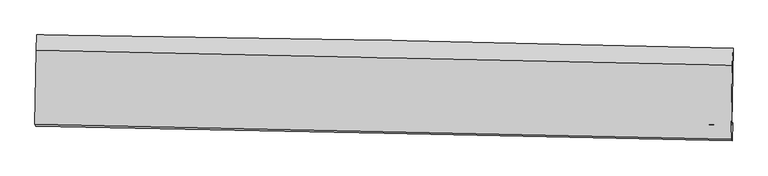
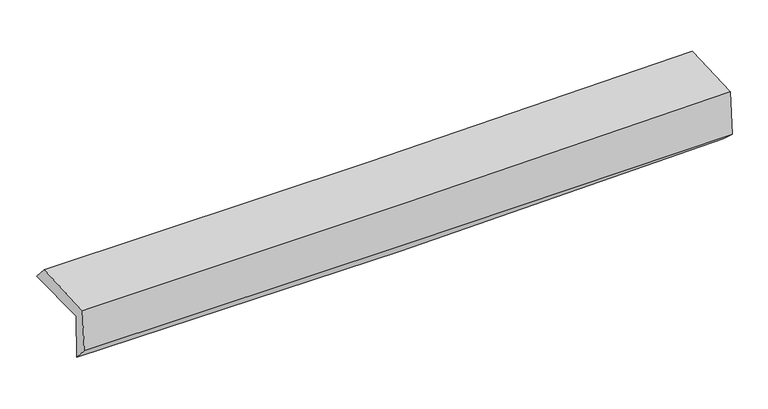
"""IFC4 building model written with IfcOpenShell, lengths in millimetres: proxy geometry."""

import ifcopenshell
import ifcopenshell.guid

model = None  # the IFC model being written
_history = None  # IfcOwnerHistory: only IFC2X3 demands one
_inside = {}  # id of a spatial element -> (the spatial element, [elements in it])
_under = {}  # id of a project, library or spatial element -> (it, [spatial elements below it])
_declared = {}  # id of a project -> (the project, [libraries it declares])
_typed = {}  # id of a type object -> (the type object, [elements of that type])
_made_of = {}  # id of a material, layer set ... -> (it, [elements and type objects made of it])


def new_model(schema):
    """Start an empty IFC model of exactly this schema.

    Asked for "IFC4X3", IfcOpenShell would pick the latest addendum, in which some entities
    have other attributes; the version numbers below select the first issue.
    IFC2X3 requires an IfcOwnerHistory on every rooted entity: one is made here for all.
    """
    global model, _history
    if schema == "IFC4X3":
        model = ifcopenshell.file(schema_version=(4, 3, 0, 0))
    else:
        model = ifcopenshell.file(schema=schema)
    _inside.clear()
    _under.clear()
    _declared.clear()
    _typed.clear()
    _made_of.clear()
    _history = None
    if model.schema == "IFC2X3":
        org = make("IfcOrganization", Name="unknown")
        user = make(
            "IfcPersonAndOrganization",
            ThePerson=make("IfcPerson", FamilyName="unknown"),
            TheOrganization=org,
        )
        app = make(
            "IfcApplication",
            ApplicationDeveloper=org,
            Version="unknown",
            ApplicationFullName="unknown",
            ApplicationIdentifier="unknown",
        )
        _history = make(
            "IfcOwnerHistory",
            OwningUser=user,
            OwningApplication=app,
            ChangeAction="ADDED",
            CreationDate=0,
        )
    return model


def make(cls, **values):
    """One entity of the class cls with the attributes given. An attribute that is None is left unset."""
    return model.create_entity(
        cls, **{name: value for name, value in values.items() if value is not None}
    )


def rooted(cls, **values):
    """An entity with a GlobalId (a new one), such as an element, a storey or a relation."""
    return make(cls, GlobalId=ifcopenshell.guid.new(), OwnerHistory=_history, **values)


def si_unit(unit_type, name, prefix=None):
    """IfcSIUnit, for example si_unit("LENGTHUNIT", "METRE", prefix="MILLI")."""
    return make("IfcSIUnit", UnitType=unit_type, Prefix=prefix, Name=name)


def assignment(units):
    """IfcUnitAssignment: the units of a project."""
    return None if units is None else make("IfcUnitAssignment", Units=units)


def point(xyz):
    """IfcCartesianPoint."""
    return None if xyz is None else make("IfcCartesianPoint", Coordinates=xyz)


def direction(xyz):
    """IfcDirection."""
    return None if xyz is None else make("IfcDirection", DirectionRatios=xyz)


def frame(location, z_axis=None, x_axis=None):
    """IfcAxis2Placement3D, a coordinate frame: its origin and axes. An axis left out is left unset."""
    return make(
        "IfcAxis2Placement3D",
        Location=point(location),
        Axis=direction(z_axis),
        RefDirection=direction(x_axis),
    )


def origin():
    """The frame at (0, 0, 0) with its axes left unset."""
    return frame((0.0, 0.0, 0.0))


def place(relative_to, where):
    """IfcLocalPlacement: puts the frame where relative to a parent placement (None: the world)."""
    return make(
        "IfcLocalPlacement", PlacementRelTo=relative_to, RelativePlacement=where
    )


def context(
    kind, dimensions, precision=None, world=None, true_north=None, identifier=None
):
    """IfcGeometricRepresentationContext, for example the 3D "Model" context."""
    return make(
        "IfcGeometricRepresentationContext",
        ContextIdentifier=identifier,
        ContextType=kind,
        CoordinateSpaceDimension=dimensions,
        Precision=precision,
        WorldCoordinateSystem=world,
        TrueNorth=true_north,
    )


def project(units=None, contexts=None):
    """IfcProject with its units and contexts."""
    return rooted(
        "IfcProject",
        Name="project",
        RepresentationContexts=contexts,
        UnitsInContext=assignment(units),
    )


def spatial(cls, under=None, at=None, **own):
    """A site, building, storey or space (cls), placed at a placement, below another one or the project."""
    s = rooted(cls, ObjectPlacement=at, **own)
    if under is not None:
        _under.setdefault(under.id(), (under, []))[1].append(s)
    return s


def shape(context_of_items, identifier, shape_type, items):
    """IfcShapeRepresentation: the items that make up one representation, for example the "Body"."""
    return make(
        "IfcShapeRepresentation",
        ContextOfItems=context_of_items,
        RepresentationIdentifier=identifier,
        RepresentationType=shape_type,
        Items=items,
    )


def source(mapping_origin, context_of_items, identifier, shape_type, items):
    """IfcRepresentationMap: a shape defined once, which mapped items show again and again."""
    return make(
        "IfcRepresentationMap",
        MappingOrigin=mapping_origin,
        MappedRepresentation=shape(context_of_items, identifier, shape_type, items),
    )


def transform(
    local_origin,
    x_axis=None,
    y_axis=None,
    z_axis=None,
    scale=None,
    scale2=None,
    scale3=None,
    uniform=True,
):
    """IfcCartesianTransformationOperator3D, or its non-uniform kind. x_axis, y_axis, z_axis: its Axis1, 2, 3."""
    if uniform:
        return make(
            "IfcCartesianTransformationOperator3D",
            Axis1=direction(x_axis),
            Axis2=direction(y_axis),
            LocalOrigin=point(local_origin),
            Scale=scale,
            Axis3=direction(z_axis),
        )
    return make(
        "IfcCartesianTransformationOperator3DnonUniform",
        Axis1=direction(x_axis),
        Axis2=direction(y_axis),
        LocalOrigin=point(local_origin),
        Scale=scale,
        Axis3=direction(z_axis),
        Scale2=scale2,
        Scale3=scale3,
    )


def mapped(mapping_source, mapping_target):
    """IfcMappedItem: shows the shape of a source again, moved by a transform."""
    return make(
        "IfcMappedItem", MappingSource=mapping_source, MappingTarget=mapping_target
    )


def made_of(thing, what):
    """Note that an element or type object is made of a material, layer set ...; save() writes the relation."""
    if what is not None:
        _made_of.setdefault(what.id(), (what, []))[1].append(thing)
    return thing


def element(
    cls,
    number,
    at=None,
    inside=None,
    cuts=None,
    type_object=None,
    material=None,
    context=None,
    identifier="Body",
    shape_type=None,
    held_by="IfcProductDefinitionShape",
    body=None,
    shapes=None,
    **own,
):
    """One element of the class cls, such as IfcWall. Its Tag is "e" and its number.

    at: its placement. inside: the storey or other place that contains it. cuts: it is an
    opening in that element (IfcRelVoidsElement). A single representation is given by context,
    identifier, shape_type and body (its items); several are given by shapes. held_by: the class
    of the entity that holds the representations. save() writes the other relations.
    """
    e = rooted(cls, Tag="e%d" % number, ObjectPlacement=at, **own)
    if body is not None:
        shapes = [shape(context, identifier, shape_type, body)]
    if shapes is not None:
        e.Representation = make(held_by, Representations=shapes)
    if inside is not None:
        _inside.setdefault(inside.id(), (inside, []))[1].append(e)
    if cuts is not None:
        rooted(
            "IfcRelVoidsElement", RelatingBuildingElement=cuts, RelatedOpeningElement=e
        )
    if type_object is not None:
        _typed.setdefault(type_object.id(), (type_object, []))[1].append(e)
    return made_of(e, material)


def aggregate(whole, parts):
    """IfcRelAggregates: a whole, such as a stair, and the parts it consists of."""
    return rooted("IfcRelAggregates", RelatingObject=whole, RelatedObjects=parts)


def save(model, path):
    """Write the relations noted so far, then the file.

    IfcRelAggregates (storeys below a building ...), IfcRelContainedInSpatialStructure (elements
    in a storey), IfcRelDefinesByType, IfcRelAssociatesMaterial and IfcRelDeclares: one each for
    every whole, place, type object, material and project.
    """
    for whole, parts in _under.values():
        aggregate(whole, parts)
    for where, things in _inside.values():
        rooted(
            "IfcRelContainedInSpatialStructure",
            RelatedElements=things,
            RelatingStructure=where,
        )
    for kind, things in _typed.values():
        rooted("IfcRelDefinesByType", RelatedObjects=things, RelatingType=kind)
    for what, things in _made_of.values():
        rooted("IfcRelAssociatesMaterial", RelatedObjects=things, RelatingMaterial=what)
    for by, libraries in _declared.values():
        rooted("IfcRelDeclares", RelatingContext=by, RelatedDefinitions=libraries)
    model.write(path)


def plane_surface(at):
    """IfcPlane: the flat surface through the origin of the frame at, square to its z axis."""
    return make("IfcPlane", Position=at)


def spline_curve(degree, points, multiplicities, knots, weights=None):
    """IfcBSplineCurveWithKnots; with weights, IfcRationalBSplineCurveWithKnots."""
    own = dict(
        Degree=degree,
        ControlPointsList=[point(p) for p in points],
        CurveForm="UNSPECIFIED",
        ClosedCurve=False,
        SelfIntersect=False,
        KnotMultiplicities=multiplicities,
        Knots=knots,
        KnotSpec="UNSPECIFIED",
    )
    if weights is None:
        return make("IfcBSplineCurveWithKnots", **own)
    return make("IfcRationalBSplineCurveWithKnots", WeightsData=weights, **own)


def spline_surface(u_degree, v_degree, points, u_multiplicities, v_multiplicities, u_knots, v_knots, weights=None):
    """IfcBSplineSurfaceWithKnots; with weights, IfcRationalBSplineSurfaceWithKnots. points: one row for each step in u."""
    own = dict(
        UDegree=u_degree,
        VDegree=v_degree,
        ControlPointsList=[[point(p) for p in row] for row in points],
        SurfaceForm="UNSPECIFIED",
        UClosed=False,
        VClosed=False,
        SelfIntersect=False,
        UMultiplicities=u_multiplicities,
        VMultiplicities=v_multiplicities,
        UKnots=u_knots,
        VKnots=v_knots,
        KnotSpec="UNSPECIFIED",
    )
    if weights is None:
        return make("IfcBSplineSurfaceWithKnots", **own)
    return make("IfcRationalBSplineSurfaceWithKnots", WeightsData=weights, **own)


def advanced_brep(points, edges, surfaces, faces):
    """IfcAdvancedBrep: a solid bounded by faces that lie on surfaces and meet in shared edges.

    An edge is (start, end): straight between two places in points (the first is 0);
    or (start, end, curve); or (start, end, curve, False) where it runs against its curve.
    A face is (place in surfaces, loops), or (place, loops, False) where it looks against
    its surface's normal. A loop lists edges by number (the first is 1), with a minus sign
    where the edge is run from its end to its start. The first loop is the outer one.
    """
    corners = [point(p) for p in points]
    vertices = [make("IfcVertexPoint", VertexGeometry=c) for c in corners]
    made = []
    for start, end, *more in edges:
        made.append(
            make(
                "IfcEdgeCurve",
                EdgeStart=vertices[start],
                EdgeEnd=vertices[end],
                EdgeGeometry=more[0] if more else make("IfcPolyline", Points=[corners[start], corners[end]]),
                SameSense=more[1] if len(more) > 1 else True,
            )
        )
    hull = []
    for where, loops, *sense in faces:
        bounds = []
        for j, loop in enumerate(loops):
            ring = [make("IfcOrientedEdge", EdgeElement=made[abs(k) - 1], Orientation=k > 0) for k in loop]
            bounds.append(
                make(
                    "IfcFaceOuterBound" if j == 0 else "IfcFaceBound",
                    Bound=make("IfcEdgeLoop", EdgeList=ring),
                    Orientation=True,
                )
            )
        hull.append(make("IfcAdvancedFace", Bounds=bounds, FaceSurface=surfaces[where], SameSense=sense[0] if sense else True))
    return make("IfcAdvancedBrep", Outer=make("IfcClosedShell", CfsFaces=hull))


def generic_models_ea0ddb50(model_context):
    return source(origin(), model_context, "Body", "AdvancedBrep", [
        advanced_brep(
        [(-3020.5613623, -1753.1334746, 1975.861269), (-3008.8827054, -1090.1220409, 1968.64021), (3008.5762161, -1203.2618766, 2102.2879482), (2996.8975591, -1866.2733103, 2109.5090073), (-3011.1520722, -1744.022112, 1560.6628853), (3006.5354607, -1848.5269776, 1690.7826912), (-3016.7950357, -1878.2553437, 1709.2687583), (3000.6309747, -2005.8940206, 1833.0892056), (-3025.3112326, -1864.3285603, 2102.3461255), (2991.6810836, -1991.2580046, 2246.184351), (-3014.4949024, -1223.3391248, 2116.6575038), (3002.4864268, -1350.9196774, 2260.481192)],
        [
            (0, 1),
            (1, 2, spline_curve(3, [(-3008.8827054, -1090.1220409, 1968.64021), (-2005.305406428, -1102.833061589, 1965.859116753), (-1002.063071218, -1118.616860861, 1975.605823885), (1003.756572348, -1156.330109505, 2020.154947587), (2006.333878072, -1178.25958865, 2054.95748665), (3008.5762161, -1203.2618766, 2102.2879482)], [4, 2, 4], [0.0, 9.87621204214991, 19.752472356446056])),
            (2, 3),
            (3, 0, spline_curve(3, [(2996.8975591, -1866.2733103, 2109.5090073), (1994.537750528, -1847.939954947, 2062.25117906), (991.901710018, -1829.344933836, 2027.484956487), (-1013.917932889, -1791.63165293, 1982.935832785), (-2017.10153297, -1772.51339529, 1973.152809038), (-3020.5613623, -1753.1334746, 1975.861269)], [4, 2, 4], [0.0, 9.876260314296145, 19.752472356446056])),
            (4, 0),
            (3, 5),
            (5, 4, spline_curve(3, [(3006.5354607, -1848.5269776, 1690.7826912), (2003.945001338, -1834.623771895, 1650.422717371), (1001.174584748, -1818.963404609, 1619.399409825), (-1004.721261233, -1784.128432522, 1576.026232373), (-2007.846688986, -1764.953844416, 1563.676271381), (-3011.1520722, -1744.022112, 1560.6628853)], [4, 2, 4], [0.0, 9.876036049435749, 19.752023827821404])),
            (6, 4),
            (5, 7),
            (7, 6, spline_curve(3, [(3000.6309747, -2005.8940206, 1833.0892056), (1997.854629256, -1983.820011146, 1807.442639238), (995.013063428, -1962.146425047, 1784.300966184), (-1010.795607326, -1919.60020333, 1743.027508282), (-2013.762711685, -1898.727563827, 1724.895698686), (-3016.7950357, -1878.2553437, 1709.2687583)], [4, 2, 4], [0.0, 9.875550897168619, 19.75105352565842])),
            (8, 6),
            (7, 9),
            (9, 8, spline_curve(3, [(2991.6810836, -1991.2580046, 2246.184351), (1989.121555063, -1969.538562367, 2210.530283692), (986.42453908, -1948.101362197, 2180.716715977), (-1019.239567931, -1905.791550402, 2132.770698196), (-2022.206656787, -1884.918935584, 2114.638190343), (-3025.3112326, -1864.3285603, 2102.3461255)], [4, 2, 4], [0.0, 9.875524231757662, 19.75100019496684])),
            (10, 8),
            (9, 11),
            (11, 10, spline_curve(3, [(3002.4864268, -1350.9196774, 2260.481192), (1999.930927059, -1328.961495183, 2224.832454846), (997.236840494, -1307.350666536, 2195.022764051), (-1008.423603754, -1264.823818794, 2147.08159171), (-2011.389960565, -1243.907797012, 2128.950053345), (-3014.4949024, -1223.3391248, 2116.6575038)], [4, 2, 4], [0.0, 9.875633570380321, 19.751218871677743])),
            (1, 10),
            (11, 2),
        ],
        [
            spline_surface(3, 3, [[(-3020.5613623, -1753.1334746, 1975.861269), (-2017.101533014, -1772.513395298, 1973.152808883), (-1013.917933026, -1791.631652825, 1982.935832654), (991.901710155, -1829.344933941, 2027.484956618), (1994.537750605, -1847.939954997, 2062.251178999), (2996.8975591, -1866.2733103, 2109.5090073)], [(-3016.668476663, -1532.129663382, 1973.454249309), (-2013.169490789, -1549.286617378, 1970.721578186), (-1009.96631246, -1567.293388838, 1980.492496424), (995.853330913, -1605.006659089, 2025.041620269), (1998.469793021, -1624.713166212, 2059.819948184), (3000.790444737, -1645.269499082, 2107.101987609)], [(-3012.775591037, -1311.125852118, 1971.047229691), (-2009.237448575, -1326.059839412, 1968.290347562), (-1006.01469188, -1342.955124909, 1978.049160161), (999.804951685, -1380.668384295, 2022.598283889), (2002.401835526, -1401.486377381, 2057.388717342), (3004.683330463, -1424.265687818, 2104.694967891)], [(-3008.8827054, -1090.1220409, 1968.64021), (-2005.305406351, -1102.833061492, 1965.859116865), (-1002.063071313, -1118.616860922, 1975.605823931), (1003.756572443, -1156.330109443, 2020.15494754), (2006.333877942, -1178.259588596, 2054.957486526), (3008.5762161, -1203.2618766, 2102.2879482)]], [4, 4], [4, 2, 4], [0.0, 2.208527291906873], [0.0, 9.87621204214991, 19.752472356446056]),
            spline_surface(3, 3, [[(-3011.1520722, -1744.022112, 1560.6628853), (-2007.846688912, -1764.953844378, 1563.676271455), (-1004.721261267, -1784.128432383, 1576.026232425), (1001.174584783, -1818.963404748, 1619.399409773), (2003.945001456, -1834.623771967, 1650.422717468), (3006.5354607, -1848.5269776, 1690.7826912)], [(-3014.288502239, -1747.059232853, 1699.06234654), (-2010.931636952, -1767.473694671, 1700.168450604), (-1007.786818531, -1786.629505873, 1711.662765841), (998.083626563, -1822.423914488, 1755.427925395), (2000.809251191, -1839.062499635, 1787.698871308), (3003.322826852, -1854.442421824, 1830.358129897)], [(-3017.424932261, -1750.096353747, 1837.46180776), (-2014.016584974, -1769.993545005, 1836.660629734), (-1010.852375763, -1789.130579335, 1847.299299237), (994.992668375, -1825.884424201, 1891.456440996), (1997.67350087, -1843.50122733, 1924.975025159), (3000.110192948, -1860.357866076, 1969.933568603)], [(-3020.5613623, -1753.1334746, 1975.861269), (-2017.101533014, -1772.513395298, 1973.152808883), (-1013.917933026, -1791.631652825, 1982.935832654), (991.901710155, -1829.344933941, 2027.484956618), (1994.537750605, -1847.939954997, 2062.251178999), (2996.8975591, -1866.2733103, 2109.5090073)]], [4, 4], [4, 2, 4], [0.0, 1.3375993587947688], [0.0, 9.875987778385655, 19.752023827821404]),
            spline_surface(3, 3, [[(-3016.7950357, -1878.2553437, 1709.2687583), (-2013.762711606, -1898.727563818, 1724.895698752), (-1010.795607324, -1919.600203334, 1743.027508259), (995.013063426, -1962.146425042, 1784.300966207), (1997.85462932, -1983.820011182, 1807.442639132), (3000.6309747, -2005.8940206, 1833.0892056)], [(-3014.914047868, -1833.510933123, 1659.733467304), (-2011.790704043, -1854.136323995, 1671.155889657), (-1008.770825304, -1874.442946346, 1687.360416303), (997.066903879, -1914.418751606, 1729.333780718), (1999.884753375, -1934.087931433, 1755.102665231), (3002.59913671, -1953.438339589, 1785.653700787)], [(-3013.033060032, -1788.766522577, 1610.198176296), (-2009.818696475, -1809.545084202, 1617.41608055), (-1006.746043286, -1829.285689372, 1631.693324381), (999.12074433, -1866.691078184, 1674.366595262), (2001.9148774, -1884.355851716, 1702.762691369), (3004.56729869, -1900.982658611, 1738.218196013)], [(-3011.1520722, -1744.022112, 1560.6628853), (-2007.846688912, -1764.953844378, 1563.676271455), (-1004.721261267, -1784.128432383, 1576.026232425), (1001.174584783, -1818.963404748, 1619.399409773), (2003.945001456, -1834.623771967, 1650.422717468), (3006.5354607, -1848.5269776, 1690.7826912)]], [4, 4], [4, 2, 4], [0.0, 0.7111891432431869], [0.0, 9.875502628489802, 19.75105352565842]),
            spline_surface(3, 3, [[(-3025.3112326, -1864.3285603, 2102.3461255), (-2022.206656935, -1884.918935504, 2114.638190381), (-1019.239567801, -1905.791550292, 2132.770698049), (986.42453895, -1948.101362307, 2180.716716124), (1989.121555202, -1969.538562272, 2210.53028362), (2991.6810836, -1991.2580046, 2246.184351)], [(-3022.472500293, -1868.970821454, 1971.320336427), (-2019.392008486, -1889.521811629, 1984.724026499), (-1016.424914309, -1910.394434663, 2002.856301443), (989.287380441, -1952.783049909, 2048.578132809), (1992.032579886, -1974.299045245, 2076.16773545), (2994.664380612, -1996.136676603, 2108.485969193)], [(-3019.633768007, -1873.613082546, 1840.294547373), (-2016.577360056, -1894.124687693, 1854.809862635), (-1013.610260815, -1914.997318964, 1872.941904865), (992.150221935, -1957.46473744, 1916.439549522), (1994.943604635, -1979.059528209, 1941.805187302), (2997.647677688, -2001.015348597, 1970.787587407)], [(-3016.7950357, -1878.2553437, 1709.2687583), (-2013.762711606, -1898.727563818, 1724.895698752), (-1010.795607324, -1919.600203334, 1743.027508259), (995.013063426, -1962.146425042, 1784.300966207), (1997.85462932, -1983.820011182, 1807.442639132), (3000.6309747, -2005.8940206, 1833.0892056)]], [4, 4], [4, 2, 4], [0.0, 1.2907424852044052], [0.0, 9.875475963209176, 19.75100019496684]),
            spline_surface(3, 3, [[(-3014.4949024, -1223.3391248, 2116.6575038), (-2011.389960509, -1243.907796977, 2128.950053245), (-1008.423603831, -1264.823818923, 2147.081591719), (997.236840571, -1307.350666406, 2195.022764042), (1999.930926999, -1328.961495303, 2224.832454965), (3002.4864268, -1350.9196774, 2260.481192)], [(-3018.100345807, -1437.002269972, 2111.887044371), (-2014.995525992, -1457.578176491, 2124.179432295), (-1012.028925156, -1478.479729364, 2142.311293821), (993.632740029, -1520.93423169, 2190.254081394), (1996.327803086, -1542.487184293, 2220.065064522), (2998.884645753, -1564.365786467, 2255.715578339)], [(-3021.705789193, -1650.665415128, 2107.116584929), (-2018.601091453, -1671.24855599, 2119.408811331), (-1015.634246476, -1692.135639852, 2137.540995947), (990.028639492, -1734.517797022, 2185.485398772), (1992.724679114, -1756.012873282, 2215.297674062), (2995.282864647, -1777.811895533, 2250.949964661)], [(-3025.3112326, -1864.3285603, 2102.3461255), (-2022.206656935, -1884.918935504, 2114.638190381), (-1019.239567801, -1905.791550292, 2132.770698049), (986.42453895, -1948.101362307, 2180.716716124), (1989.121555202, -1969.538562272, 2210.53028362), (2991.6810836, -1991.2580046, 2246.184351)]], [4, 4], [4, 2, 4], [0.0, 2.1033797171276674], [0.0, 9.875585301297422, 19.751218871677743]),
            spline_surface(3, 3, [[(-3008.8827054, -1090.1220409, 1968.64021), (-2005.305406351, -1102.833061492, 1965.859116865), (-1002.063071313, -1118.616860922, 1975.605823931), (1003.756572443, -1156.330109443, 2020.15494754), (2006.333877942, -1178.259588596, 2054.957486526), (3008.5762161, -1203.2618766, 2102.2879482)], [(-3010.753437729, -1134.527735515, 2017.979307948), (-2007.333591066, -1149.857973302, 2020.22276234), (-1004.183248802, -1167.352513597, 2032.764413205), (1001.583328502, -1206.670295105, 2078.444219718), (2004.199560964, -1228.4935575, 2111.582476014), (3006.546286336, -1252.481143535, 2155.019029475)], [(-3012.624170071, -1178.933430185, 2067.318405852), (-2009.361775794, -1196.882885167, 2074.58640777), (-1006.303426342, -1216.088166249, 2089.923002446), (999.410084511, -1257.010480745, 2136.733491864), (2002.065243977, -1278.727526399, 2168.207465477), (3004.516356564, -1301.700410465, 2207.750110725)], [(-3014.4949024, -1223.3391248, 2116.6575038), (-2011.389960509, -1243.907796977, 2128.950053245), (-1008.423603831, -1264.823818923, 2147.081591719), (997.236840571, -1307.350666406, 2195.022764042), (1999.930926999, -1328.961495303, 2224.832454965), (3002.4864268, -1350.9196774, 2260.481192)]], [4, 4], [4, 2, 4], [0.0, 0.7489806121847954], [0.0, 9.875835544376741, 19.7517193590595]),
            plane_surface(frame((3001.1346202, -1711.0223112, 2040.3890659), z_axis=(0.9996011273619763, -0.01736496574578962, 0.022272048431028868), x_axis=(0.021646788222561615, -0.03539961969542439, -0.999138770884739))),
            plane_surface(frame((-3016.1995517, -1592.2001094, 1905.572792), z_axis=(-0.9996011273619458, 0.017364965748335136, -0.0222720484304036), x_axis=(-0.017610787195793582, -0.99978562228382, 0.010888969138512478))),
        ],
        [
            (0, [[1, 2, 3, 4]]),
            (1, [[5, -4, 6, 7]]),
            (2, [[8, -7, 9, 10]]),
            (3, [[11, -10, 12, 13]]),
            (4, [[14, -13, 15, 16]]),
            (5, [[17, -16, 18, -2]]),
            (6, [[-12, -9, -6, -3, -18, -15]]),
            (7, [[-1, -5, -8, -11, -14, -17]]),
        ],
    ),
    ])


if __name__ == "__main__":
    model = new_model("IFC4")
    model_context = context("Model", 3, world=origin())
    ifc_project = project(units=[si_unit("LENGTHUNIT", "METRE", prefix="MILLI")], contexts=[model_context])
    site = spatial("IfcSite", under=ifc_project)
    building = spatial("IfcBuilding", under=site)
    placement = place(None, origin())
    generic_models_shape = generic_models_ea0ddb50(model_context)
    element("IfcBuildingElementProxy", 1, Name="Generic Models", at=placement, inside=building, context=model_context, shape_type="MappedRepresentation", body=[
        mapped(generic_models_shape, transform((0.0, 0.0, 0.0), x_axis=(1.0, 0.0, 0.0), y_axis=(0.0, 1.0, 0.0), z_axis=(0.0, 0.0, 1.0))),
    ])
    save(model, "model.ifc")
